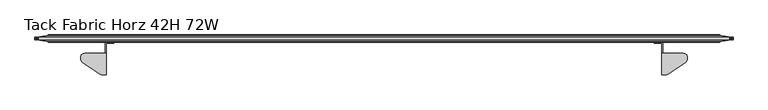
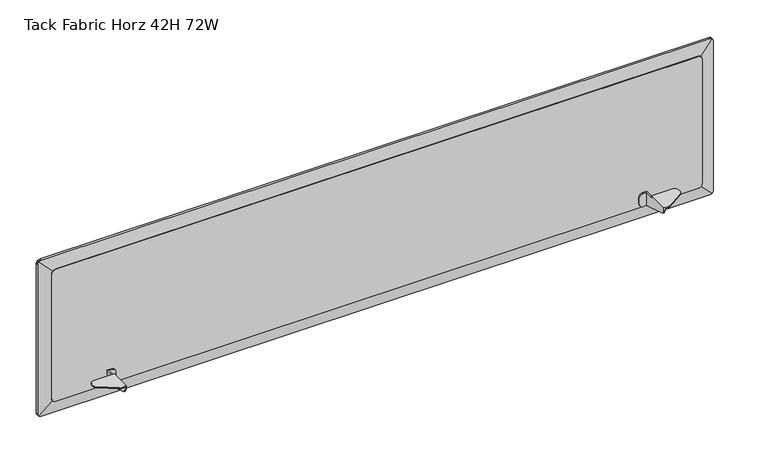
"""IFC4 building model written with IfcOpenShell, lengths in millimetres: furniture geometry, Tack Fabric Horz 42H 72W."""

from ifc_helpers import new_model, si_unit, frame, origin, place, context, project, spatial, polyline, outline, extrude, faceted_brep, source, transform, mapped, element, save


def tack_fabric_horz_42h_72w_0e876914(model_context):
    return source(origin(), model_context, "Body", "SolidModel", [
        faceted_brep([(1643.6339971, -22.2279076, 658.8561954), (1640.586, -22.2279076, 658.8561954), (1630.8070002, -22.2279076, 658.8561954), (1630.8070002, -19.1799082, 658.8561954), (1643.6339971, -19.1799082, 658.8561954), (1640.586, -47.3739083, 701.1979423), (1640.586, -104.0159091, 701.1979423), (1651.6893012, -104.0159091, 701.1979423), (1653.533956, -103.8355785, 701.1979423), (1655.3087569, -103.3014269, 701.1979423), (1656.9465021, -102.4336701, 701.1979423), (1702.6122013, -72.2082031, 701.1979423), (1704.8947927, -70.0858512, 701.1979423), (1706.3700478, -67.340268, 701.1979423), (1706.8800004, -64.2654421, 701.1979423), (1706.8800004, -56.8989086, 701.1979423), (1705.6038973, -52.136408, 701.1979423), (1702.1175004, -48.6500162, 701.1979423), (1697.3550004, -47.3739083, 701.1979423), (1640.586, -104.0159091, 693.5665041), (1643.6339971, -104.0159091, 693.5665041), (1643.6339971, -104.0159091, 698.1499452), (1651.6893012, -104.0159091, 698.1499452), (1621.2820002, -19.1799082, 668.3811954), (1621.2820002, -22.2279076, 668.3811954), (1621.2820002, -22.2279076, 686.5929472), (1621.2820002, -19.1799082, 686.5929472), (1626.0445002, -19.1799082, 660.1322803), (1622.5581033, -19.1799082, 663.6186954), (1622.5581033, -19.1799082, 691.3554472), (1626.0445002, -19.1799082, 694.8418623), (1630.8070002, -19.1799082, 696.1179472), (1643.6339971, -19.1799082, 696.1179472), (1643.6339971, -47.3739083, 698.1499452), (1697.3550004, -47.3739083, 698.1499452), (1702.1175004, -48.6500162, 698.1499452), (1705.6038973, -52.136408, 698.1499452), (1706.8800004, -56.8989086, 698.1499452), (1706.8800004, -64.2654421, 698.1499452), (1706.3700478, -67.340268, 698.1499452), (1704.8947927, -70.0858512, 698.1499452), (1702.6122013, -72.2082031, 698.1499452), (1656.9465021, -102.4336701, 698.1499452), (1655.3087569, -103.3014269, 698.1499452), (1653.533956, -103.8355785, 698.1499452), (1643.6339971, -102.6650422, 687.8667793), (1643.6339971, -98.8998242, 683.3795532), (1643.6339971, -93.5212417, 681.0594913), (1643.6339971, -47.3739083, 696.1179472), (1640.586, -47.3739083, 696.1179472), (1640.586, -93.5212417, 681.0594913), (1640.586, -98.8998242, 683.3795532), (1640.586, -102.6650422, 687.8667793), (1630.8070002, -22.2279076, 696.1179472), (1640.586, -22.2279076, 696.1179472), (1626.0445002, -22.2279076, 694.8418623), (1622.5581033, -22.2279076, 691.3554472), (1622.5581033, -22.2279076, 663.6186954), (1626.0445002, -22.2279076, 660.1322803)], [[[0, 1, 2, 3, 4]], [[5, 6, 7, 8, 9, 10, 11, 12, 13, 14, 15, 16, 17, 18]], [[7, 6, 19, 20, 21, 22]], [[23, 24, 25, 26]], [[3, 27, 28, 23, 26, 29, 30, 31, 32, 4]], [[33, 34, 35, 36, 37, 38, 39, 40, 41, 42, 43, 44, 22, 21]], [[21, 20, 45, 46, 47, 0, 4, 32, 48, 33]], [[5, 18, 34, 33, 48, 49]], [[17, 35, 34, 18]], [[16, 36, 35, 17]], [[15, 37, 36, 16]], [[14, 38, 37, 15]], [[13, 39, 38, 14]], [[12, 40, 39, 13]], [[11, 41, 40, 12]], [[10, 42, 41, 11]], [[9, 43, 42, 10]], [[8, 44, 43, 9]], [[7, 22, 44, 8]], [[47, 50, 1, 0]], [[46, 51, 50, 47]], [[45, 52, 51, 46]], [[20, 19, 52, 45]], [[32, 31, 53, 54, 49, 48]], [[30, 55, 53, 31]], [[29, 56, 55, 30]], [[26, 25, 56, 29]], [[28, 57, 24, 23]], [[27, 58, 57, 28]], [[2, 58, 27, 3]], [[1, 50, 51, 52, 19, 6, 5, 49, 54]], [[54, 53, 55, 56, 25, 24, 57, 58, 2, 1]]]),
        faceted_brep([(185.1660029, -22.2279076, 658.8561954), (185.1660029, -19.1799082, 658.8561954), (197.9929998, -19.1799082, 658.8561954), (197.9929998, -22.2279076, 658.8561954), (188.214, -22.2279076, 658.8561954), (188.214, -47.3739083, 701.1979423), (131.4449996, -47.3739083, 701.1979423), (126.6824996, -48.6500162, 701.1979423), (123.1961027, -52.136408, 701.1979423), (121.9199996, -56.8989086, 701.1979423), (121.9199996, -64.2654421, 701.1979423), (122.4299522, -67.340268, 701.1979423), (123.9052073, -70.0858512, 701.1979423), (126.1877987, -72.2082031, 701.1979423), (171.8534979, -102.4336701, 701.1979423), (173.4912431, -103.3014269, 701.1979423), (175.266044, -103.8355785, 701.1979423), (177.1106988, -104.0159091, 701.1979423), (188.214, -104.0159091, 701.1979423), (177.1106988, -104.0159091, 698.1499452), (185.1660029, -104.0159091, 698.1499452), (185.1660029, -104.0159091, 693.5665041), (188.214, -104.0159091, 693.5665041), (207.5179998, -19.1799082, 668.3811954), (207.5179998, -19.1799082, 686.5929472), (207.5179998, -22.2279076, 686.5929472), (207.5179998, -22.2279076, 668.3811954), (185.1660029, -19.1799082, 696.1179472), (197.9929998, -19.1799082, 696.1179472), (202.7554998, -19.1799082, 694.8418623), (206.2418967, -19.1799082, 691.3554472), (206.2418967, -19.1799082, 663.6186954), (202.7554998, -19.1799082, 660.1322803), (185.1660029, -47.3739083, 698.1499452), (175.266044, -103.8355785, 698.1499452), (173.4912431, -103.3014269, 698.1499452), (171.8534979, -102.4336701, 698.1499452), (126.1877987, -72.2082031, 698.1499452), (123.9052073, -70.0858512, 698.1499452), (122.4299522, -67.340268, 698.1499452), (121.9199996, -64.2654421, 698.1499452), (121.9199996, -56.8989086, 698.1499452), (123.1961027, -52.136408, 698.1499452), (126.6824996, -48.6500162, 698.1499452), (131.4449996, -47.3739083, 698.1499452), (185.1660029, -47.3739083, 696.1179472), (185.1660029, -93.5212417, 681.0594913), (185.1660029, -98.8998242, 683.3795532), (185.1660029, -102.6650422, 687.8667793), (188.214, -47.3739083, 696.1179472), (188.214, -93.5212417, 681.0594913), (188.214, -98.8998242, 683.3795532), (188.214, -102.6650422, 687.8667793), (188.214, -22.2279076, 696.1179472), (197.9929998, -22.2279076, 696.1179472), (202.7554998, -22.2279076, 694.8418623), (206.2418967, -22.2279076, 691.3554472), (206.2418967, -22.2279076, 663.6186954), (202.7554998, -22.2279076, 660.1322803)], [[[0, 1, 2, 3, 4]], [[5, 6, 7, 8, 9, 10, 11, 12, 13, 14, 15, 16, 17, 18]], [[17, 19, 20, 21, 22, 18]], [[23, 24, 25, 26]], [[2, 1, 27, 28, 29, 30, 24, 23, 31, 32]], [[33, 20, 19, 34, 35, 36, 37, 38, 39, 40, 41, 42, 43, 44]], [[20, 33, 45, 27, 1, 0, 46, 47, 48, 21]], [[5, 49, 45, 33, 44, 6]], [[7, 6, 44, 43]], [[8, 7, 43, 42]], [[9, 8, 42, 41]], [[10, 9, 41, 40]], [[11, 10, 40, 39]], [[12, 11, 39, 38]], [[13, 12, 38, 37]], [[14, 13, 37, 36]], [[15, 14, 36, 35]], [[16, 15, 35, 34]], [[17, 16, 34, 19]], [[46, 0, 4, 50]], [[47, 46, 50, 51]], [[48, 47, 51, 52]], [[21, 48, 52, 22]], [[27, 45, 49, 53, 54, 28]], [[29, 28, 54, 55]], [[30, 29, 55, 56]], [[24, 30, 56, 25]], [[31, 23, 26, 57]], [[32, 31, 57, 58]], [[3, 2, 32, 58]], [[4, 53, 49, 5, 18, 22, 52, 51, 50]], [[53, 4, 3, 58, 57, 26, 25, 56, 55, 54]]]),
        extrude(outline(polyline([(1032.002, 1781.9178925), (1032.002, 46.8257121), (1031.3159549, 43.184392), (1030.2278673, 40.7952556), (1028.9466955, 39.2079102), (1027.0346029, 37.7230447), (1024.7089454, 36.7081476), (1022.0517493, 36.322), (665.5186553, 36.322), (662.8614592, 36.7081476), (660.5358017, 37.7230447), (658.6237091, 39.2079102), (657.3425373, 40.7952556), (656.2544497, 43.184392), (655.6248, 46.5263823), (655.6248, 1782.2172223), (656.2544497, 1785.5592125), (657.3425373, 1787.9483489), (658.6237091, 1789.5356944), (660.5358017, 1791.0205599), (662.8614592, 1792.035457), (665.9067288, 1792.478), (1021.6636758, 1792.478), (1024.7089454, 1792.035457), (1027.0346029, 1791.0205599), (1028.9466955, 1789.5356944), (1030.2278673, 1787.9483489), (1031.3159549, 1785.5592125), (1032.002, 1781.9178925)])), frame((0.0, -19.05, 0.0), z_axis=(0.0, 1.0, 0.0), x_axis=(0.0, 0.0, 1.0)), (0.0, 0.0, 1.0), 19.05),
        faceted_brep([(1789.2466046, -1.27, 658.8561954), (1789.2466046, -1.27, 1028.7706046), (1824.3341432, -6.201232, 1063.8581432), (1825.8749553, -6.417779, 1061.8740069), (1826.8898524, -6.5604135, 1059.5483494), (1827.276, -6.614683, 1056.8911533), (1827.276, -6.614683, 630.7356467), (1826.8898524, -6.5604135, 628.0784506), (1825.8749553, -6.417779, 625.7527931), (1824.3341432, -6.201232, 623.7686568), (1789.2466046, -17.78, 1028.7706046), (1789.2466046, -17.78, 658.8561954), (1824.3341432, -12.5994806, 623.7686568), (1825.8749553, -12.3719865, 625.7527931), (1826.8898524, -12.2221415, 628.0784506), (1827.276, -12.1651285, 630.7356467), (1827.276, -12.1651285, 1056.8911533), (1826.8898524, -12.2221415, 1059.5483494), (1825.8749553, -12.3719865, 1061.8740069), (1824.3341432, -12.5994806, 1063.8581432), (39.5533954, -1.27, 658.8561954), (1822.8027444, -6.3711638, 622.5595287), (1820.413608, -6.5240846, 621.4714411), (1816.9920479, -6.614683, 620.8268), (11.8079521, -6.614683, 620.8268), (8.386392, -6.5240846, 621.4714411), (5.9972556, -6.3711638, 622.5595287), (4.479154, -6.1989614, 623.7848127), (39.5533954, -17.78, 658.8561954), (4.4658568, -12.5994806, 623.7686568), (5.9972556, -12.4209582, 622.5595287), (8.386392, -12.2603069, 621.4714411), (11.8079521, -12.1651285, 620.8268), (1816.9920479, -12.1651285, 620.8268), (1820.413608, -12.2603069, 621.4714411), (1822.8027444, -12.4209582, 622.5595287), (39.5533954, -1.27, 1028.7706046), (2.9250447, -6.417779, 625.7527931), (1.9101476, -6.5604135, 628.0784506), (1.524, -6.614683, 630.7356467), (1.524, -6.614683, 1056.8911533), (1.9101476, -6.5604135, 1059.5483494), (2.9250447, -6.417779, 1061.8740069), (4.4658568, -6.201232, 1063.8581432), (39.5533954, -17.78, 1028.7706046), (4.4658568, -12.5994806, 1063.8581432), (2.9250447, -12.3719865, 1061.8740069), (1.9101476, -12.2221415, 1059.5483494), (1.524, -12.1651285, 1056.8911533), (1.524, -12.1651285, 630.7356467), (1.9101476, -12.2221415, 628.0784506), (2.9250447, -12.3719865, 625.7527931), (5.9972556, -6.3711638, 1065.0672713), (8.386392, -6.5240846, 1066.1553589), (11.8079521, -6.614683, 1066.8), (1816.9920479, -6.614683, 1066.8), (1820.413608, -6.5240846, 1066.1553589), (1822.8027444, -6.3711638, 1065.0672713), (1822.8027444, -12.4209582, 1065.0672713), (1820.413608, -12.2603069, 1066.1553589), (1816.9920479, -12.1651285, 1066.8), (11.8079521, -12.1651285, 1066.8), (8.386392, -12.2603069, 1066.1553589), (5.9972556, -12.4209582, 1065.0672713)], [[[0, 1, 2, 3, 4, 5, 6, 7, 8, 9]], [[10, 11, 12, 13, 14, 15, 16, 17, 18, 19]], [[20, 0, 9, 21, 22, 23, 24, 25, 26, 27]], [[11, 28, 29, 30, 31, 32, 33, 34, 35, 12]], [[36, 20, 27, 37, 38, 39, 40, 41, 42, 43]], [[28, 44, 45, 46, 47, 48, 49, 50, 51, 29]], [[1, 36, 43, 52, 53, 54, 55, 56, 57, 2]], [[44, 10, 19, 58, 59, 60, 61, 62, 63, 45]], [[1, 0, 11, 10]], [[0, 20, 28, 11]], [[20, 36, 44, 28]], [[36, 1, 10, 44]], [[5, 16, 15, 6]], [[23, 33, 32, 24]], [[48, 40, 39, 49]], [[54, 61, 60, 55]], [[41, 47, 46, 42]], [[45, 43, 42, 46]], [[43, 45, 63, 52]], [[52, 63, 62, 53]], [[53, 62, 61, 54]], [[47, 41, 40, 48]], [[3, 18, 17, 4]], [[2, 19, 18, 3]], [[19, 2, 57, 58]], [[58, 57, 56, 59]], [[59, 56, 55, 60]], [[4, 17, 16, 5]], [[7, 14, 13, 8]], [[12, 9, 8, 13]], [[9, 12, 35, 21]], [[21, 35, 34, 22]], [[22, 34, 33, 23]], [[14, 7, 6, 15]], [[37, 51, 50, 38]], [[27, 29, 51, 37]], [[29, 27, 26, 30]], [[30, 26, 25, 31]], [[31, 25, 24, 32]], [[38, 50, 49, 39]]]),
    ])


if __name__ == "__main__":
    model = new_model("IFC4")
    model_context = context("Model", 3, world=origin())
    ifc_project = project(units=[si_unit("LENGTHUNIT", "METRE", prefix="MILLI")], contexts=[model_context])
    site = spatial("IfcSite", under=ifc_project)
    building = spatial("IfcBuilding", under=site)
    placement = place(None, origin())
    tack_fabric_horz_42h_72w_shape = tack_fabric_horz_42h_72w_0e876914(model_context)
    element("IfcFurniture", 1, ObjectType="Tack Fabric Horz 42H 72W", at=placement, inside=building, context=model_context, shape_type="MappedRepresentation", body=[
        mapped(tack_fabric_horz_42h_72w_shape, transform((0.0, 0.0, 0.0), x_axis=(1.0, 0.0, 0.0), y_axis=(0.0, 1.0, 0.0), z_axis=(0.0, 0.0, 1.0))),
    ])
    save(model, "model.ifc")
